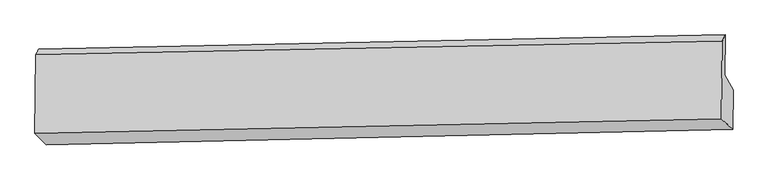
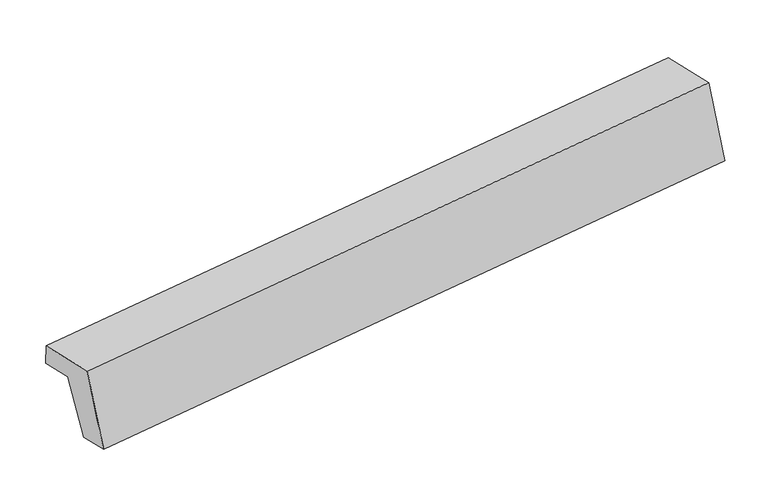
"""IFC4 building model written with IfcOpenShell, lengths in millimetres: proxy geometry."""

import ifcopenshell
import ifcopenshell.guid

model = None  # the IFC model being written
_history = None  # IfcOwnerHistory: only IFC2X3 demands one
_inside = {}  # id of a spatial element -> (the spatial element, [elements in it])
_under = {}  # id of a project, library or spatial element -> (it, [spatial elements below it])
_declared = {}  # id of a project -> (the project, [libraries it declares])
_typed = {}  # id of a type object -> (the type object, [elements of that type])
_made_of = {}  # id of a material, layer set ... -> (it, [elements and type objects made of it])


def new_model(schema):
    """Start an empty IFC model of exactly this schema.

    Asked for "IFC4X3", IfcOpenShell would pick the latest addendum, in which some entities
    have other attributes; the version numbers below select the first issue.
    IFC2X3 requires an IfcOwnerHistory on every rooted entity: one is made here for all.
    """
    global model, _history
    if schema == "IFC4X3":
        model = ifcopenshell.file(schema_version=(4, 3, 0, 0))
    else:
        model = ifcopenshell.file(schema=schema)
    _inside.clear()
    _under.clear()
    _declared.clear()
    _typed.clear()
    _made_of.clear()
    _history = None
    if model.schema == "IFC2X3":
        org = make("IfcOrganization", Name="unknown")
        user = make(
            "IfcPersonAndOrganization",
            ThePerson=make("IfcPerson", FamilyName="unknown"),
            TheOrganization=org,
        )
        app = make(
            "IfcApplication",
            ApplicationDeveloper=org,
            Version="unknown",
            ApplicationFullName="unknown",
            ApplicationIdentifier="unknown",
        )
        _history = make(
            "IfcOwnerHistory",
            OwningUser=user,
            OwningApplication=app,
            ChangeAction="ADDED",
            CreationDate=0,
        )
    return model


def make(cls, **values):
    """One entity of the class cls with the attributes given. An attribute that is None is left unset."""
    return model.create_entity(
        cls, **{name: value for name, value in values.items() if value is not None}
    )


def rooted(cls, **values):
    """An entity with a GlobalId (a new one), such as an element, a storey or a relation."""
    return make(cls, GlobalId=ifcopenshell.guid.new(), OwnerHistory=_history, **values)


def si_unit(unit_type, name, prefix=None):
    """IfcSIUnit, for example si_unit("LENGTHUNIT", "METRE", prefix="MILLI")."""
    return make("IfcSIUnit", UnitType=unit_type, Prefix=prefix, Name=name)


def assignment(units):
    """IfcUnitAssignment: the units of a project."""
    return None if units is None else make("IfcUnitAssignment", Units=units)


def point(xyz):
    """IfcCartesianPoint."""
    return None if xyz is None else make("IfcCartesianPoint", Coordinates=xyz)


def direction(xyz):
    """IfcDirection."""
    return None if xyz is None else make("IfcDirection", DirectionRatios=xyz)


def frame(location, z_axis=None, x_axis=None):
    """IfcAxis2Placement3D, a coordinate frame: its origin and axes. An axis left out is left unset."""
    return make(
        "IfcAxis2Placement3D",
        Location=point(location),
        Axis=direction(z_axis),
        RefDirection=direction(x_axis),
    )


def origin():
    """The frame at (0, 0, 0) with its axes left unset."""
    return frame((0.0, 0.0, 0.0))


def place(relative_to, where):
    """IfcLocalPlacement: puts the frame where relative to a parent placement (None: the world)."""
    return make(
        "IfcLocalPlacement", PlacementRelTo=relative_to, RelativePlacement=where
    )


def context(
    kind, dimensions, precision=None, world=None, true_north=None, identifier=None
):
    """IfcGeometricRepresentationContext, for example the 3D "Model" context."""
    return make(
        "IfcGeometricRepresentationContext",
        ContextIdentifier=identifier,
        ContextType=kind,
        CoordinateSpaceDimension=dimensions,
        Precision=precision,
        WorldCoordinateSystem=world,
        TrueNorth=true_north,
    )


def project(units=None, contexts=None):
    """IfcProject with its units and contexts."""
    return rooted(
        "IfcProject",
        Name="project",
        RepresentationContexts=contexts,
        UnitsInContext=assignment(units),
    )


def spatial(cls, under=None, at=None, **own):
    """A site, building, storey or space (cls), placed at a placement, below another one or the project."""
    s = rooted(cls, ObjectPlacement=at, **own)
    if under is not None:
        _under.setdefault(under.id(), (under, []))[1].append(s)
    return s


def shape(context_of_items, identifier, shape_type, items):
    """IfcShapeRepresentation: the items that make up one representation, for example the "Body"."""
    return make(
        "IfcShapeRepresentation",
        ContextOfItems=context_of_items,
        RepresentationIdentifier=identifier,
        RepresentationType=shape_type,
        Items=items,
    )


def source(mapping_origin, context_of_items, identifier, shape_type, items):
    """IfcRepresentationMap: a shape defined once, which mapped items show again and again."""
    return make(
        "IfcRepresentationMap",
        MappingOrigin=mapping_origin,
        MappedRepresentation=shape(context_of_items, identifier, shape_type, items),
    )


def transform(
    local_origin,
    x_axis=None,
    y_axis=None,
    z_axis=None,
    scale=None,
    scale2=None,
    scale3=None,
    uniform=True,
):
    """IfcCartesianTransformationOperator3D, or its non-uniform kind. x_axis, y_axis, z_axis: its Axis1, 2, 3."""
    if uniform:
        return make(
            "IfcCartesianTransformationOperator3D",
            Axis1=direction(x_axis),
            Axis2=direction(y_axis),
            LocalOrigin=point(local_origin),
            Scale=scale,
            Axis3=direction(z_axis),
        )
    return make(
        "IfcCartesianTransformationOperator3DnonUniform",
        Axis1=direction(x_axis),
        Axis2=direction(y_axis),
        LocalOrigin=point(local_origin),
        Scale=scale,
        Axis3=direction(z_axis),
        Scale2=scale2,
        Scale3=scale3,
    )


def mapped(mapping_source, mapping_target):
    """IfcMappedItem: shows the shape of a source again, moved by a transform."""
    return make(
        "IfcMappedItem", MappingSource=mapping_source, MappingTarget=mapping_target
    )


def made_of(thing, what):
    """Note that an element or type object is made of a material, layer set ...; save() writes the relation."""
    if what is not None:
        _made_of.setdefault(what.id(), (what, []))[1].append(thing)
    return thing


def element(
    cls,
    number,
    at=None,
    inside=None,
    cuts=None,
    type_object=None,
    material=None,
    context=None,
    identifier="Body",
    shape_type=None,
    held_by="IfcProductDefinitionShape",
    body=None,
    shapes=None,
    **own,
):
    """One element of the class cls, such as IfcWall. Its Tag is "e" and its number.

    at: its placement. inside: the storey or other place that contains it. cuts: it is an
    opening in that element (IfcRelVoidsElement). A single representation is given by context,
    identifier, shape_type and body (its items); several are given by shapes. held_by: the class
    of the entity that holds the representations. save() writes the other relations.
    """
    e = rooted(cls, Tag="e%d" % number, ObjectPlacement=at, **own)
    if body is not None:
        shapes = [shape(context, identifier, shape_type, body)]
    if shapes is not None:
        e.Representation = make(held_by, Representations=shapes)
    if inside is not None:
        _inside.setdefault(inside.id(), (inside, []))[1].append(e)
    if cuts is not None:
        rooted(
            "IfcRelVoidsElement", RelatingBuildingElement=cuts, RelatedOpeningElement=e
        )
    if type_object is not None:
        _typed.setdefault(type_object.id(), (type_object, []))[1].append(e)
    return made_of(e, material)


def aggregate(whole, parts):
    """IfcRelAggregates: a whole, such as a stair, and the parts it consists of."""
    return rooted("IfcRelAggregates", RelatingObject=whole, RelatedObjects=parts)


def save(model, path):
    """Write the relations noted so far, then the file.

    IfcRelAggregates (storeys below a building ...), IfcRelContainedInSpatialStructure (elements
    in a storey), IfcRelDefinesByType, IfcRelAssociatesMaterial and IfcRelDeclares: one each for
    every whole, place, type object, material and project.
    """
    for whole, parts in _under.values():
        aggregate(whole, parts)
    for where, things in _inside.values():
        rooted(
            "IfcRelContainedInSpatialStructure",
            RelatedElements=things,
            RelatingStructure=where,
        )
    for kind, things in _typed.values():
        rooted("IfcRelDefinesByType", RelatedObjects=things, RelatingType=kind)
    for what, things in _made_of.values():
        rooted("IfcRelAssociatesMaterial", RelatedObjects=things, RelatingMaterial=what)
    for by, libraries in _declared.values():
        rooted("IfcRelDeclares", RelatingContext=by, RelatedDefinitions=libraries)
    model.write(path)


def plane_surface(at):
    """IfcPlane: the flat surface through the origin of the frame at, square to its z axis."""
    return make("IfcPlane", Position=at)


def spline_surface(u_degree, v_degree, points, u_multiplicities, v_multiplicities, u_knots, v_knots, weights=None):
    """IfcBSplineSurfaceWithKnots; with weights, IfcRationalBSplineSurfaceWithKnots. points: one row for each step in u."""
    own = dict(
        UDegree=u_degree,
        VDegree=v_degree,
        ControlPointsList=[[point(p) for p in row] for row in points],
        SurfaceForm="UNSPECIFIED",
        UClosed=False,
        VClosed=False,
        SelfIntersect=False,
        UMultiplicities=u_multiplicities,
        VMultiplicities=v_multiplicities,
        UKnots=u_knots,
        VKnots=v_knots,
        KnotSpec="UNSPECIFIED",
    )
    if weights is None:
        return make("IfcBSplineSurfaceWithKnots", **own)
    return make("IfcRationalBSplineSurfaceWithKnots", WeightsData=weights, **own)


def advanced_brep(points, edges, surfaces, faces):
    """IfcAdvancedBrep: a solid bounded by faces that lie on surfaces and meet in shared edges.

    An edge is (start, end): straight between two places in points (the first is 0);
    or (start, end, curve); or (start, end, curve, False) where it runs against its curve.
    A face is (place in surfaces, loops), or (place, loops, False) where it looks against
    its surface's normal. A loop lists edges by number (the first is 1), with a minus sign
    where the edge is run from its end to its start. The first loop is the outer one.
    """
    corners = [point(p) for p in points]
    vertices = [make("IfcVertexPoint", VertexGeometry=c) for c in corners]
    made = []
    for start, end, *more in edges:
        made.append(
            make(
                "IfcEdgeCurve",
                EdgeStart=vertices[start],
                EdgeEnd=vertices[end],
                EdgeGeometry=more[0] if more else make("IfcPolyline", Points=[corners[start], corners[end]]),
                SameSense=more[1] if len(more) > 1 else True,
            )
        )
    hull = []
    for where, loops, *sense in faces:
        bounds = []
        for j, loop in enumerate(loops):
            ring = [make("IfcOrientedEdge", EdgeElement=made[abs(k) - 1], Orientation=k > 0) for k in loop]
            bounds.append(
                make(
                    "IfcFaceOuterBound" if j == 0 else "IfcFaceBound",
                    Bound=make("IfcEdgeLoop", EdgeList=ring),
                    Orientation=True,
                )
            )
        hull.append(make("IfcAdvancedFace", Bounds=bounds, FaceSurface=surfaces[where], SameSense=sense[0] if sense else True))
    return make("IfcAdvancedBrep", Outer=make("IfcClosedShell", CfsFaces=hull))


def generic_models_b18f18c9(model_context):
    return source(origin(), model_context, "Body", "AdvancedBrep", [
        advanced_brep(
        [(-6275.1273678, -1167.4860367, 1790.7545962), (-6282.6775594, -1942.3896089, 1977.8211615), (459.0673715, -1800.0351435, 2796.9972573), (466.5228541, -1034.8518977, 2612.2772396), (-6171.3194047, -2053.4579964, 1118.8987774), (570.5202352, -1901.3832047, 1935.7283257), (-6167.6595005, -1677.82874, 1028.2195273), (574.2748484, -1516.0336219, 1842.7025281), (-6250.0382149, -1526.3902105, 1652.2128218), (493.1686482, -1366.9343822, 2457.0569206), (-6245.9902587, -1110.9337717, 1551.919041), (497.0271864, -970.9185962, 2361.4562349)],
        [
            (0, 1),
            (1, 2),
            (2, 3),
            (3, 0),
            (1, 4),
            (4, 5),
            (5, 2),
            (4, 6),
            (6, 7),
            (7, 5),
            (6, 8),
            (8, 9),
            (9, 7),
            (8, 10),
            (10, 11),
            (11, 9),
            (10, 0),
            (3, 11),
        ],
        [
            plane_surface(frame((-6278.9024636, -1554.9378228, 1884.2878789), z_axis=(-0.12213935208318717, 0.23403269068589058, 0.9645261418764252), x_axis=(-0.009470898001569148, -0.9720326376456262, 0.23465475371858713))),
            spline_surface(1, 1, [[(-6282.6775594, -1942.3896089, 1977.8211615), (459.0673715, -1800.0351435, 2796.9972573)], [(-6171.3194047, -2053.4579964, 1118.8987774), (570.5202352, -1901.3832047, 1935.7283257)]], [2, 2], [2, 2], [0.0, 1.0], [0.0, 1.0]),
            plane_surface(frame((-6169.4894526, -1865.6433682, 1073.5591524), z_axis=(0.122139352083187, -0.23403269068589005, -0.9645261418764252), x_axis=(0.009470898001569226, 0.9720326376456263, -0.23465475371858663))),
            plane_surface(frame((-6208.8488577, -1602.1094752, 1340.2161746), z_axis=(0.005090462292252636, 0.9719315994113841, -0.23520853143387524), x_axis=(-0.1272514238185045, 0.23392897810989963, 0.9638901951657262))),
            plane_surface(frame((-6248.0142368, -1318.6619911, 1602.0659314), z_axis=(0.12067819664332628, -0.23406118103092893, -0.964703133813362), x_axis=(0.009470898001569144, 0.9720326376456265, -0.2346547537185855))),
            spline_surface(1, 1, [[(-6245.9902587, -1110.9337717, 1551.919041), (497.0271864, -970.9185962, 2361.4562349)], [(-6275.1273678, -1167.4860367, 1790.7545962), (466.5228541, -1034.8518977, 2612.2772396)]], [2, 2], [2, 2], [0.0, 1.0], [0.0, 1.0]),
            plane_surface(frame((510.0968573, -1431.6928077, 2334.369751), z_axis=(0.9918252755537166, 0.020731245793344698, 0.12590805462975815), x_axis=(0.009470898001569144, 0.9720326376456265, -0.2346547537185855))),
            plane_surface(frame((-6232.1353843, -1579.7477274, 1519.9709876), z_axis=(-0.9918252755537174, -0.020731245793345024, -0.12590805462975263), x_axis=(0.11788620542984352, 0.22880553831758757, -0.9663078537425595))),
        ],
        [
            (0, [[1, 2, 3, 4]]),
            (1, [[5, 6, 7, -2]]),
            (2, [[8, 9, 10, -6]]),
            (3, [[11, 12, 13, -9]]),
            (4, [[14, 15, 16, -12]]),
            (5, [[17, -4, 18, -15]]),
            (6, [[-16, -18, -3, -7, -10, -13]]),
            (7, [[-17, -14, -11, -8, -5, -1]]),
        ],
    ),
    ])


if __name__ == "__main__":
    model = new_model("IFC4")
    model_context = context("Model", 3, world=origin())
    ifc_project = project(units=[si_unit("LENGTHUNIT", "METRE", prefix="MILLI")], contexts=[model_context])
    site = spatial("IfcSite", under=ifc_project)
    building = spatial("IfcBuilding", under=site)
    placement = place(None, origin())
    generic_models_shape = generic_models_b18f18c9(model_context)
    element("IfcBuildingElementProxy", 1, Name="Generic Models", at=placement, inside=building, context=model_context, shape_type="MappedRepresentation", body=[
        mapped(generic_models_shape, transform((0.0, 0.0, 0.0), x_axis=(1.0, 0.0, 0.0), y_axis=(0.0, 1.0, 0.0), z_axis=(0.0, 0.0, 1.0))),
    ])
    save(model, "model.ifc")
